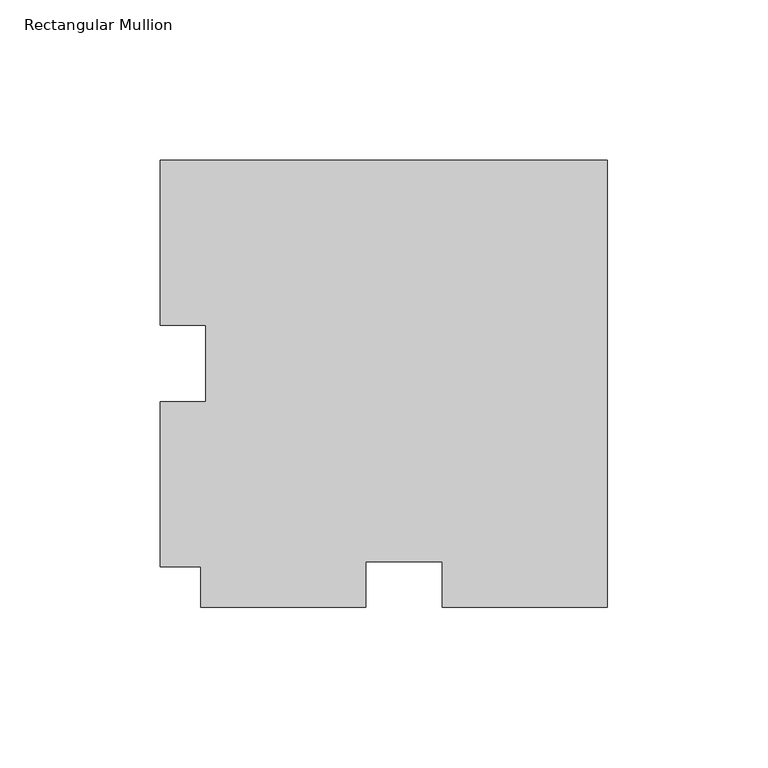
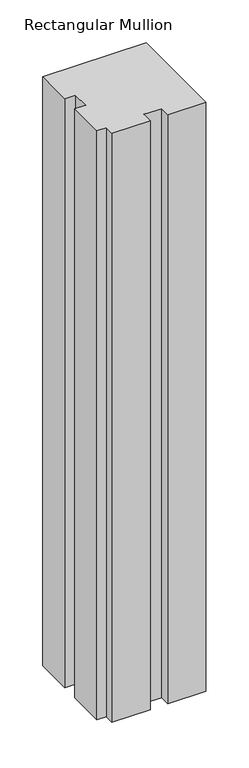
"""IFC4 building model written with IfcOpenShell, lengths in millimetres: member geometry, Rectangular Mullion."""

from ifc_helpers import new_model, si_unit, frame, origin, place, context, project, spatial, polyline, outline, extrude, source, transform, mapped, element, save


def rectangular_mullion_46301c09(model_context):
    return source(origin(), model_context, "Body", "SweptSolid", [
        extrude(outline(polyline([(-139.7, 127.00635), (0.0, 127.00635), (0.0, -12.69365), (-51.6001, -12.69365), (-51.6001, 1.59385), (-75.3999, 1.59385), (-75.3999, -12.69365), (-127.0, -12.69365), (-127.0, 0.00635), (-139.7, 0.00635), (-139.7, 51.60645), (-125.4125, 51.60645), (-125.4125, 75.40625), (-139.7, 75.40625), (-139.7, 127.00635)])), frame((0.0, 0.0, -841.375), z_axis=(0.0, 0.0, 1.0), x_axis=(1.0, 0.0, 0.0)), (0.0, 0.0, 1.0), 841.375),
    ])


if __name__ == "__main__":
    model = new_model("IFC4")
    model_context = context("Model", 3, world=origin())
    ifc_project = project(units=[si_unit("LENGTHUNIT", "METRE", prefix="MILLI")], contexts=[model_context])
    site = spatial("IfcSite", under=ifc_project)
    building = spatial("IfcBuilding", under=site)
    placement = place(None, origin())
    rectangular_mullion_shape = rectangular_mullion_46301c09(model_context)
    element("IfcMember", 1, ObjectType="Rectangular Mullion", at=placement, inside=building, context=model_context, shape_type="MappedRepresentation", body=[
        mapped(rectangular_mullion_shape, transform((0.0, 0.0, 0.0), x_axis=(1.0, 0.0, 0.0), y_axis=(0.0, 1.0, 0.0), z_axis=(0.0, 0.0, 1.0))),
    ])
    save(model, "model.ifc")
